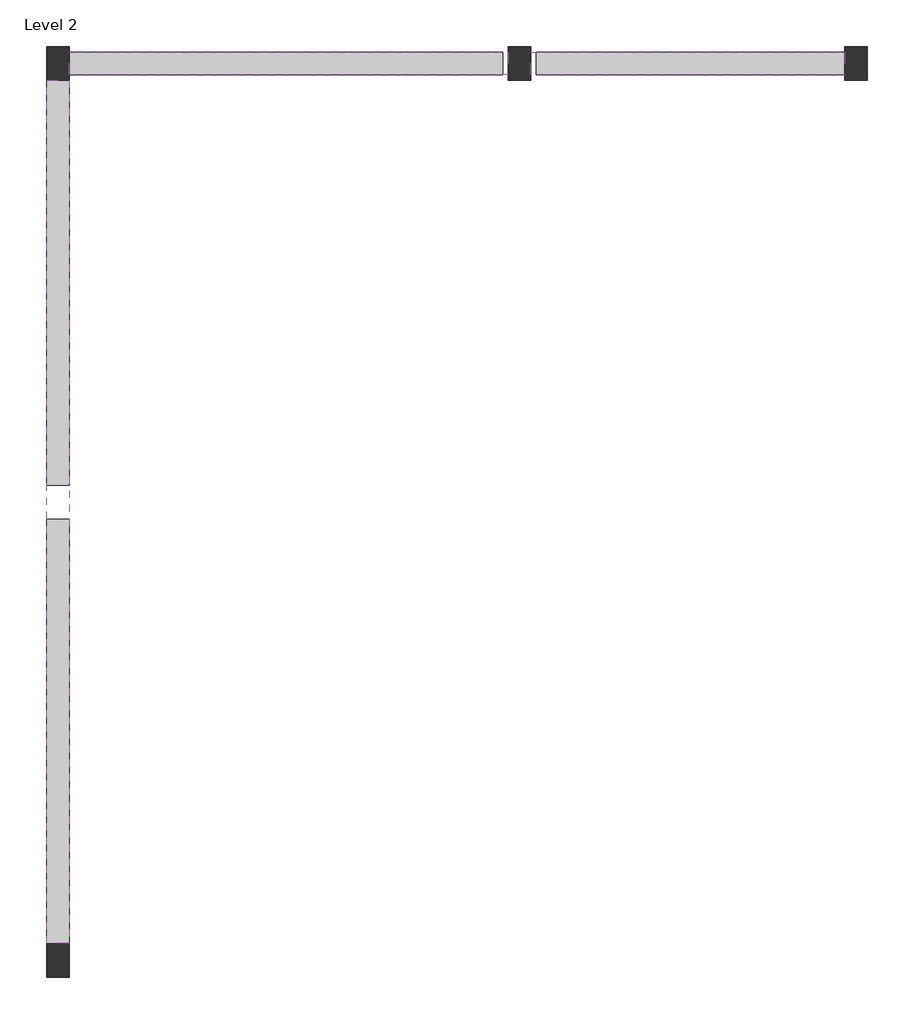
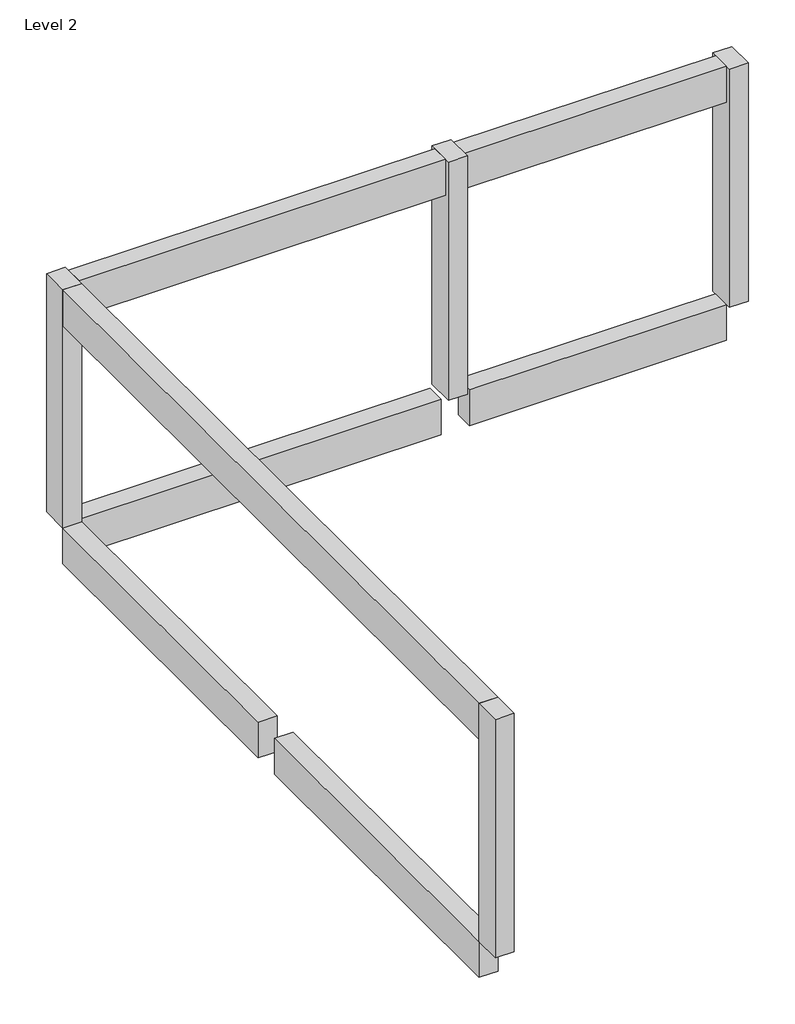
# One storey: 7 beams, 4 columns.
"""IFC4 building model written with IfcOpenShell, lengths in millimetres."""

from ifc_helpers import new_model, si_unit, frame, origin, place, context, project, spatial, polyline, outline, extrude, element, save

model = new_model("IFC4")

# Units and contexts
model_context = context("Model", 3, world=origin())
ifc_project = project(units=[si_unit("LENGTHUNIT", "METRE", prefix="MILLI")], contexts=[model_context])

# Site, building, storey
site = spatial("IfcSite", under=ifc_project)
building = spatial("IfcBuilding", under=site)
storey = spatial("IfcBuildingStorey", under=building, Name="Level 2", Elevation=4000.0)

# Beams
placement = place(None, origin())
element("IfcBeam", 1, ObjectType="M_Concrete-Rectangular Beam : 300 x 600mm", at=placement, inside=storey, context=model_context, shape_type="SweptSolid", body=[
    extrude(outline(polyline([(-11930.3234806, -6736.7423354), (-12230.3234806, -6736.7423354), (-12230.3234806, -1105.0294007), (-11930.3234806, -1105.0294007), (-11930.3234806, -6736.7423354)])), frame((0.0, 0.0, 3400.0), z_axis=(0.0, 0.0, 1.0), x_axis=(1.0, 0.0, 0.0)), (0.0, 0.0, 1.0), 600.0),
])
element("IfcBeam", 2, ObjectType="M_Concrete-Rectangular Beam : 300 x 600mm", at=placement, inside=storey, context=model_context, shape_type="SweptSolid", body=[
    extrude(outline(polyline([(-11930.3234806, -655.0294007), (-12230.3234806, -655.0294007), (-12230.3234806, 4715.5133302), (-11930.3234806, 4715.5133302), (-11930.3234806, -655.0294007)])), frame((0.0, 0.0, 3400.0), z_axis=(0.0, 0.0, 1.0), x_axis=(1.0, 0.0, 0.0)), (0.0, 0.0, 1.0), 600.0),
])
element("IfcBeam", 3, ObjectType="M_Concrete-Rectangular Beam : 300 x 600mm", at=placement, inside=storey, context=model_context, shape_type="SweptSolid", body=[
    extrude(outline(polyline([(-11930.3234806, 4790.5133302), (-11930.3234806, 5090.5133302), (-6179.304385, 5090.5133302), (-6179.304385, 4790.5133302), (-11930.3234806, 4790.5133302)])), frame((0.0, 0.0, 3400.0), z_axis=(0.0, 0.0, 1.0), x_axis=(1.0, 0.0, 0.0)), (0.0, 0.0, 1.0), 600.0),
])
element("IfcBeam", 4, ObjectType="M_Concrete-Rectangular Beam : 300 x 600mm", at=placement, inside=storey, context=model_context, shape_type="SweptSolid", body=[
    extrude(outline(polyline([(-5729.304385, 4790.5133302), (-5729.304385, 5090.5133302), (-1641.4495329, 5090.5133302), (-1641.4495329, 4790.5133302), (-5729.304385, 4790.5133302)])), frame((0.0, 0.0, 3400.0), z_axis=(0.0, 0.0, 1.0), x_axis=(1.0, 0.0, 0.0)), (0.0, 0.0, 1.0), 600.0),
])
element("IfcBeam", 5, ObjectType="M_Concrete-Rectangular Beam : 300 x 600mm", at=placement, inside=storey, context=model_context, shape_type="SweptSolid", body=[
    extrude(outline(polyline([(-12230.3234806, 4715.5133302), (-11930.3234806, 4715.5133302), (-11930.3234806, -6736.7423354), (-12230.3234806, -6736.7423354), (-12230.3234806, 4715.5133302)])), frame((0.0, 0.0, 7400.0), z_axis=(0.0, 0.0, 1.0), x_axis=(1.0, 0.0, 0.0)), (0.0, 0.0, 1.0), 600.0),
])
element("IfcBeam", 6, ObjectType="M_Concrete-Rectangular Beam : 300 x 600mm", at=placement, inside=storey, context=model_context, shape_type="SweptSolid", body=[
    extrude(outline(polyline([(-11930.3234806, 4790.5133302), (-11930.3234806, 5090.5133302), (-6104.304385, 5090.5133302), (-6104.304385, 4790.5133302), (-11930.3234806, 4790.5133302)])), frame((0.0, 0.0, 7400.0), z_axis=(0.0, 0.0, 1.0), x_axis=(1.0, 0.0, 0.0)), (0.0, 0.0, 1.0), 600.0),
])
element("IfcBeam", 7, ObjectType="M_Concrete-Rectangular Beam : 300 x 600mm", at=placement, inside=storey, context=model_context, shape_type="SweptSolid", body=[
    extrude(outline(polyline([(-5804.304385, 4790.5133302), (-5804.304385, 5090.5133302), (-1641.4495329, 5090.5133302), (-1641.4495329, 4790.5133302), (-5804.304385, 4790.5133302)])), frame((0.0, 0.0, 7400.0), z_axis=(0.0, 0.0, 1.0), x_axis=(1.0, 0.0, 0.0)), (0.0, 0.0, 1.0), 600.0),
])

# Columns
element("IfcColumn", 8, ObjectType="M_Concrete-Rectangular-Column : 300 x 450mm", at=placement, inside=storey, context=model_context, shape_type="SweptSolid", body=[
    extrude(outline(polyline([(-11930.3234806, 5165.5133302), (-11930.3234806, 4715.5133302), (-12230.3234806, 4715.5133302), (-12230.3234806, 5165.5133302), (-11930.3234806, 5165.5133302)])), frame((0.0, 0.0, 4000.0), z_axis=(0.0, 0.0, 1.0), x_axis=(1.0, 0.0, 0.0)), (0.0, 0.0, 1.0), 4000.0),
])
element("IfcColumn", 9, ObjectType="M_Concrete-Rectangular-Column : 300 x 450mm", at=placement, inside=storey, context=model_context, shape_type="SweptSolid", body=[
    extrude(outline(polyline([(-11930.3234806, -6736.7423354), (-11930.3234806, -7186.7423354), (-12230.3234806, -7186.7423354), (-12230.3234806, -6736.7423354), (-11930.3234806, -6736.7423354)])), frame((0.0, 0.0, 4000.0), z_axis=(0.0, 0.0, 1.0), x_axis=(1.0, 0.0, 0.0)), (0.0, 0.0, 1.0), 4000.0),
])
element("IfcColumn", 10, ObjectType="M_Concrete-Rectangular-Column : 300 x 450mm", at=placement, inside=storey, context=model_context, shape_type="SweptSolid", body=[
    extrude(outline(polyline([(-5804.304385, 5165.5133302), (-5804.304385, 4715.5133302), (-6104.304385, 4715.5133302), (-6104.304385, 5165.5133302), (-5804.304385, 5165.5133302)])), frame((0.0, 0.0, 4000.0), z_axis=(0.0, 0.0, 1.0), x_axis=(1.0, 0.0, 0.0)), (0.0, 0.0, 1.0), 4000.0),
])
element("IfcColumn", 11, ObjectType="M_Concrete-Rectangular-Column : 300 x 450mm", at=placement, inside=storey, context=model_context, shape_type="SweptSolid", body=[
    extrude(outline(polyline([(-1341.4495329, 5165.5133302), (-1341.4495329, 4715.5133302), (-1641.4495329, 4715.5133302), (-1641.4495329, 5165.5133302), (-1341.4495329, 5165.5133302)])), frame((0.0, 0.0, 4000.0), z_axis=(0.0, 0.0, 1.0), x_axis=(1.0, 0.0, 0.0)), (0.0, 0.0, 1.0), 4000.0),
])

save(model, "model.ifc")
